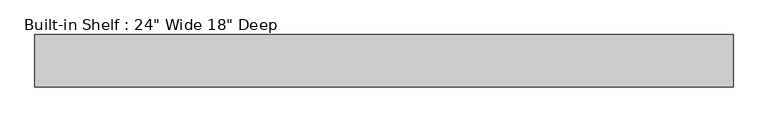
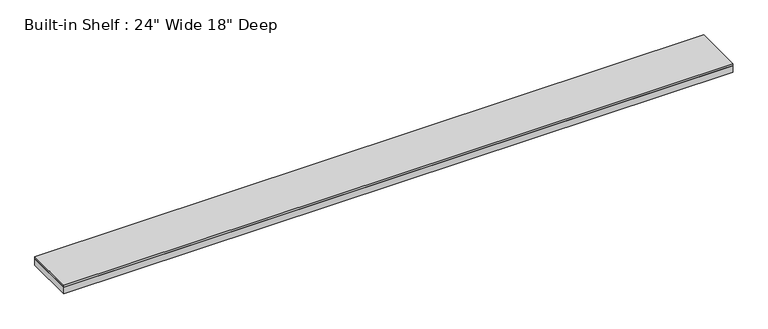
"""IFC4 building model written with IfcOpenShell, lengths in millimetres: furniture geometry."""

from ifc_helpers import new_model, si_unit, frame, origin, place, context, project, spatial, polyline, outline, extrude, source, transform, mapped, element, save


def furniture_0a0ca7aa(model_context):
    return source(origin(), model_context, "Body", "SweptSolid", [
        extrude(outline(polyline([(3053.7020524, 554.0375), (3053.7020524, 96.8375), (-3053.7020524, 96.8375), (-3053.7020524, 554.0375), (3053.7020524, 554.0375)])), frame((0.0, 0.0, 2114.55), z_axis=(0.0, 0.0, 1.0), x_axis=(1.0, 0.0, 0.0)), (0.0, 0.0, 1.0), 19.05),
        extrude(outline(polyline([(3053.7020524, 96.8375), (-3053.7020524, 96.8375), (-3053.7020524, 554.0375), (-3034.6520524, 554.0375), (-3034.6520524, 115.8875), (3034.6520524, 115.8875), (3034.6520524, 554.0375), (3053.7020524, 554.0375), (3053.7020524, 96.8375)])), frame((0.0, 0.0, 2051.05), z_axis=(0.0, 0.0, 1.0), x_axis=(1.0, 0.0, 0.0)), (0.0, 0.0, 1.0), 63.5),
    ])


if __name__ == "__main__":
    model = new_model("IFC4")
    model_context = context("Model", 3, world=origin())
    ifc_project = project(units=[si_unit("LENGTHUNIT", "METRE", prefix="MILLI")], contexts=[model_context])
    site = spatial("IfcSite", under=ifc_project)
    building = spatial("IfcBuilding", under=site)
    placement = place(None, origin())
    furniture_shape = furniture_0a0ca7aa(model_context)
    element("IfcFurniture", 1, ObjectType="Built-in Shelf : 24\" Wide 18\" Deep", at=placement, inside=building, context=model_context, shape_type="MappedRepresentation", body=[
        mapped(furniture_shape, transform((0.0, 0.0, 0.0), x_axis=(1.0, 0.0, 0.0), y_axis=(0.0, 1.0, 0.0), z_axis=(0.0, 0.0, 1.0))),
    ])
    save(model, "model.ifc")
